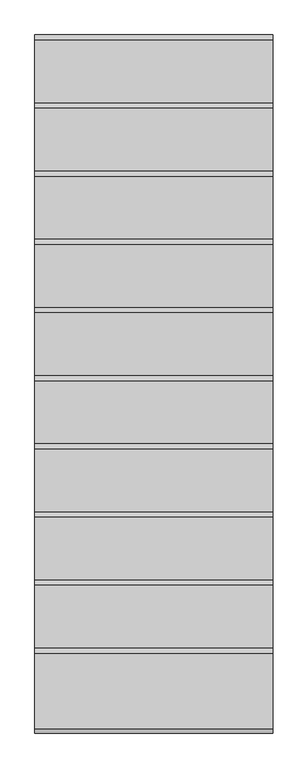
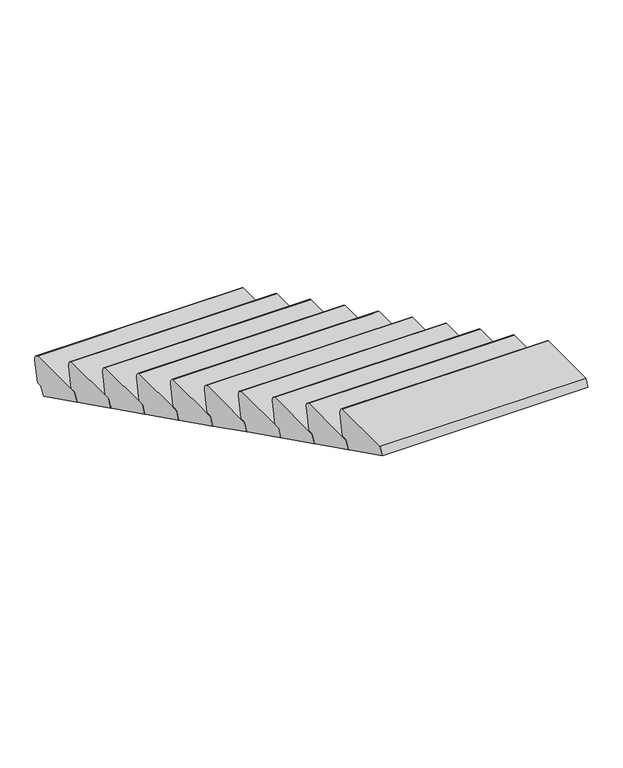
"""IFC4 building model written with IfcOpenShell, lengths in millimetres: stair flight geometry."""

from ifc_helpers import new_model, si_unit, point, frame, frame_2d, origin, place, context, project, spatial, polyline, circle_curve, trimmed, segment, composite_curve, outline, extrude, source, transform, mapped, element, save


def stair_flight_790c7d01(model_context):
    return source(origin(), model_context, "Body", "SweptSolid", [
        extrude(outline(composite_curve([segment(polyline([(3224.3422612, 1800.0), (3554.3422612, 1800.0), (3554.3422612, 1799.2093044)]), True, "CONTINUOUS"), segment(trimmed(circle_curve(frame_2d((3547.5, 1770.0)), 30.0), [point((3554.3422612, 1799.2093044))], [point((3576.8778126, 1763.9218319))], False, "CARTESIAN"), True, "CONTINUOUS"), segment(polyline([(3576.8778126, 1763.9218319), (3554.3422612, 1655.0), (3527.3422612, 1655.0), (3500.3422612, 1614.0), (3204.994672, 1761.1732054), (3224.3422612, 1800.0)]), True, "CONTINUOUS")], self_intersect=False)), frame((-4550.0, 0.0, 0.0), z_axis=(1.0, 0.0, 0.0), x_axis=(0.0, 1.0, 0.0)), (0.0, 0.0, 1.0), 1050.0),
        extrude(outline(composite_curve([segment(polyline([(2924.3422612, 1950.0), (3254.3422612, 1950.0), (3254.3422612, 1949.2093044)]), True, "CONTINUOUS"), segment(trimmed(circle_curve(frame_2d((3247.5, 1920.0)), 30.0), [point((3254.3422612, 1949.2093044))], [point((3276.8778126, 1913.9218319))], False, "CARTESIAN"), True, "CONTINUOUS"), segment(polyline([(3276.8778126, 1913.9218319), (3254.3422612, 1805.0), (3227.3422612, 1805.0), (3200.3422612, 1764.0), (2904.994672, 1911.1732054), (2924.3422612, 1950.0)]), True, "CONTINUOUS")], self_intersect=False)), frame((-4550.0, 0.0, 0.0), z_axis=(1.0, 0.0, 0.0), x_axis=(0.0, 1.0, 0.0)), (0.0, 0.0, 1.0), 1050.0),
        extrude(outline(composite_curve([segment(polyline([(2624.3422612, 2100.0), (2954.3422612, 2100.0), (2954.3422612, 2099.2093044)]), True, "CONTINUOUS"), segment(trimmed(circle_curve(frame_2d((2947.5, 2070.0)), 30.0), [point((2954.3422612, 2099.2093044))], [point((2976.8778126, 2063.9218319))], False, "CARTESIAN"), True, "CONTINUOUS"), segment(polyline([(2976.8778126, 2063.9218319), (2954.3422612, 1955.0), (2927.3422612, 1955.0), (2900.3422612, 1914.0), (2604.994672, 2061.1732054), (2624.3422612, 2100.0)]), True, "CONTINUOUS")], self_intersect=False)), frame((-4550.0, 0.0, 0.0), z_axis=(1.0, 0.0, 0.0), x_axis=(0.0, 1.0, 0.0)), (0.0, 0.0, 1.0), 1050.0),
        extrude(outline(composite_curve([segment(polyline([(2324.3422612, 2250.0), (2654.3422612, 2250.0), (2654.3422612, 2249.2093044)]), True, "CONTINUOUS"), segment(trimmed(circle_curve(frame_2d((2647.5, 2220.0)), 30.0), [point((2654.3422612, 2249.2093044))], [point((2676.8778126, 2213.9218319))], False, "CARTESIAN"), True, "CONTINUOUS"), segment(polyline([(2676.8778126, 2213.9218319), (2654.3422612, 2105.0), (2627.3422612, 2105.0), (2600.3422612, 2064.0), (2304.994672, 2211.1732054), (2324.3422612, 2250.0)]), True, "CONTINUOUS")], self_intersect=False)), frame((-4550.0, 0.0, 0.0), z_axis=(1.0, 0.0, 0.0), x_axis=(0.0, 1.0, 0.0)), (0.0, 0.0, 1.0), 1050.0),
        extrude(outline(composite_curve([segment(polyline([(2024.3422612, 2400.0), (2354.3422612, 2400.0), (2354.3422612, 2399.2093044)]), True, "CONTINUOUS"), segment(trimmed(circle_curve(frame_2d((2347.5, 2370.0)), 30.0), [point((2354.3422612, 2399.2093044))], [point((2376.8778126, 2363.9218319))], False, "CARTESIAN"), True, "CONTINUOUS"), segment(polyline([(2376.8778126, 2363.9218319), (2354.3422612, 2255.0), (2327.3422612, 2255.0), (2300.3422612, 2214.0), (2004.994672, 2361.1732054), (2024.3422612, 2400.0)]), True, "CONTINUOUS")], self_intersect=False)), frame((-4550.0, 0.0, 0.0), z_axis=(1.0, 0.0, 0.0), x_axis=(0.0, 1.0, 0.0)), (0.0, 0.0, 1.0), 1050.0),
        extrude(outline(composite_curve([segment(polyline([(1724.3422612, 2550.0), (2054.3422612, 2550.0), (2054.3422612, 2549.2093044)]), True, "CONTINUOUS"), segment(trimmed(circle_curve(frame_2d((2047.5, 2520.0)), 30.0), [point((2054.3422612, 2549.2093044))], [point((2076.8778126, 2513.9218319))], False, "CARTESIAN"), True, "CONTINUOUS"), segment(polyline([(2076.8778126, 2513.9218319), (2054.3422612, 2405.0), (2027.3422612, 2405.0), (2000.3422612, 2364.0), (1704.994672, 2511.1732054), (1724.3422612, 2550.0)]), True, "CONTINUOUS")], self_intersect=False)), frame((-4550.0, 0.0, 0.0), z_axis=(1.0, 0.0, 0.0), x_axis=(0.0, 1.0, 0.0)), (0.0, 0.0, 1.0), 1050.0),
        extrude(outline(composite_curve([segment(polyline([(1424.3422612, 2700.0), (1754.3422612, 2700.0), (1754.3422612, 2699.2093044)]), True, "CONTINUOUS"), segment(trimmed(circle_curve(frame_2d((1747.5, 2670.0)), 30.0), [point((1754.3422612, 2699.2093044))], [point((1776.8778126, 2663.9218319))], False, "CARTESIAN"), True, "CONTINUOUS"), segment(polyline([(1776.8778126, 2663.9218319), (1754.3422612, 2555.0), (1727.3422612, 2555.0), (1700.3422612, 2514.0), (1404.994672, 2661.1732054), (1424.3422612, 2700.0)]), True, "CONTINUOUS")], self_intersect=False)), frame((-4550.0, 0.0, 0.0), z_axis=(1.0, 0.0, 0.0), x_axis=(0.0, 1.0, 0.0)), (0.0, 0.0, 1.0), 1050.0),
        extrude(outline(composite_curve([segment(polyline([(1124.3422612, 2850.0), (1454.3422612, 2850.0), (1454.3422612, 2849.2093044)]), True, "CONTINUOUS"), segment(trimmed(circle_curve(frame_2d((1447.5, 2820.0)), 30.0), [point((1454.3422612, 2849.2093044))], [point((1476.8778126, 2813.9218319))], False, "CARTESIAN"), True, "CONTINUOUS"), segment(polyline([(1476.8778126, 2813.9218319), (1454.3422612, 2705.0), (1427.3422612, 2705.0), (1400.3422612, 2664.0), (1104.994672, 2811.1732054), (1124.3422612, 2850.0)]), True, "CONTINUOUS")], self_intersect=False)), frame((-4550.0, 0.0, 0.0), z_axis=(1.0, 0.0, 0.0), x_axis=(0.0, 1.0, 0.0)), (0.0, 0.0, 1.0), 1050.0),
        extrude(outline(composite_curve([segment(polyline([(824.3422612, 3000.0), (1154.3422612, 3000.0), (1154.3422612, 2999.2093044)]), True, "CONTINUOUS"), segment(trimmed(circle_curve(frame_2d((1147.5, 2970.0)), 30.0), [point((1154.3422612, 2999.2093044))], [point((1176.8778126, 2963.9218319))], False, "CARTESIAN"), True, "CONTINUOUS"), segment(polyline([(1176.8778126, 2963.9218319), (1154.3422612, 2855.0), (1127.3422612, 2855.0), (1100.3422612, 2814.0), (804.994672, 2961.1732054), (824.3422612, 3000.0)]), True, "CONTINUOUS")], self_intersect=False)), frame((-4550.0, 0.0, 0.0), z_axis=(1.0, 0.0, 0.0), x_axis=(0.0, 1.0, 0.0)), (0.0, 0.0, 1.0), 1050.0),
        extrude(outline(composite_curve([segment(polyline([(524.3422612, 3150.0), (854.3422612, 3150.0), (854.3422612, 3149.2093044)]), True, "CONTINUOUS"), segment(trimmed(circle_curve(frame_2d((847.5, 3120.0)), 30.0), [point((854.3422612, 3149.2093044))], [point((876.8778126, 3113.9218319))], False, "CARTESIAN"), True, "CONTINUOUS"), segment(polyline([(876.8778126, 3113.9218319), (854.3422612, 3005.0), (827.3422612, 3005.0), (800.3422612, 2964.0), (504.994672, 3111.1732054), (524.3422612, 3150.0)]), True, "CONTINUOUS")], self_intersect=False)), frame((-4550.0, 0.0, 0.0), z_axis=(1.0, 0.0, 0.0), x_axis=(0.0, 1.0, 0.0)), (0.0, 0.0, 1.0), 1050.0),
    ])


if __name__ == "__main__":
    model = new_model("IFC4")
    model_context = context("Model", 3, world=origin())
    ifc_project = project(units=[si_unit("LENGTHUNIT", "METRE", prefix="MILLI")], contexts=[model_context])
    site = spatial("IfcSite", under=ifc_project)
    building = spatial("IfcBuilding", under=site)
    placement = place(None, origin())
    stair_flight_shape = stair_flight_790c7d01(model_context)
    element("IfcStairFlight", 1, at=placement, inside=building, context=model_context, shape_type="MappedRepresentation", body=[
        mapped(stair_flight_shape, transform((0.0, 0.0, 0.0), x_axis=(1.0, 0.0, 0.0), y_axis=(0.0, 1.0, 0.0), z_axis=(0.0, 0.0, 1.0))),
    ])
    save(model, "model.ifc")
